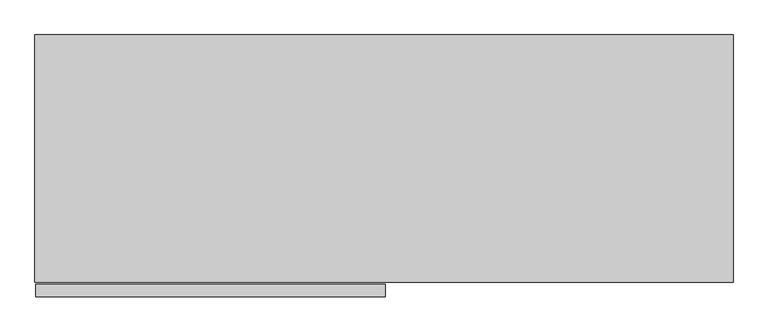
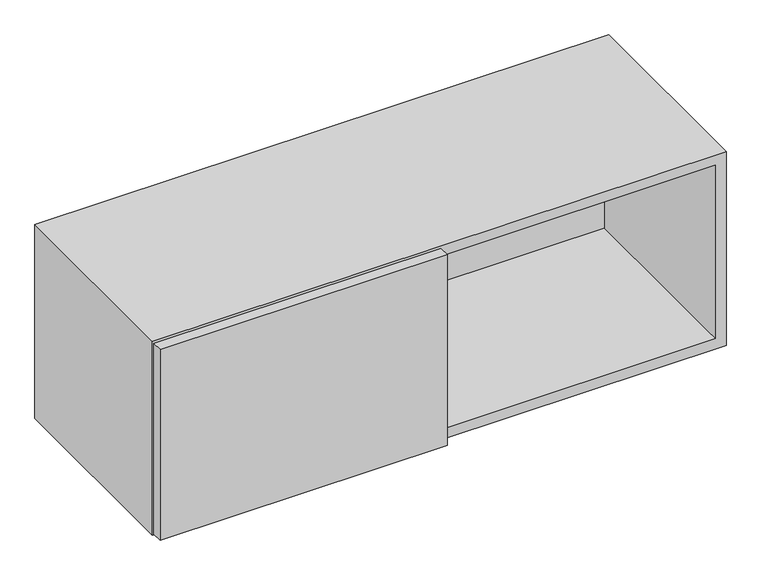
"""IFC4 building model written with IfcOpenShell, lengths in millimetres: furniture geometry."""

from ifc_helpers import new_model, si_unit, frame, origin, place, context, project, spatial, polyline, outline, extrude, faceted_brep, source, transform, mapped, element, save


def furniture_3b6ed978(model_context):
    return source(origin(), model_context, "Body", "SolidModel", [
        extrude(outline(polyline([(534.4792365, -380.3650097), (534.4792365, -400.05), (1.5010712, -400.05), (1.5010712, -380.3650097), (534.4792365, -380.3650097)])), frame((0.0, 0.0, 1288.9992008), z_axis=(0.0, 0.0, 1.0), x_axis=(1.0, 0.0, 0.0)), (0.0, 0.0, 1.0), 375.0055984),
        faceted_brep([(522.8084682, -377.8757721, 1306.1696643), (522.8084682, -377.8757721, 1646.8343357), (522.8084682, -20.1675917, 1646.8343357), (522.8084682, -20.1675917, 1306.1696643), (0.0, -377.8757721, 1667.002), (0.0, -377.8757721, 1286.002), (1065.784, -377.8757721, 1286.002), (1065.784, -377.8757721, 1667.002), (20.1673737, -377.8757721, 1306.1696643), (20.1673737, -377.8757721, 1646.8343357), (542.9755318, -377.8757721, 1306.1696643), (542.9755318, -377.8757721, 1646.8343357), (1045.6166263, -377.8757721, 1646.8343357), (1045.6166263, -377.8757721, 1306.1696643), (542.9755318, -20.1675917, 1306.1696643), (542.9755318, -20.1675917, 1646.8343357), (20.1673737, -20.1675917, 1306.1696643), (1045.6166263, -20.1675917, 1306.1696643), (0.0, 0.0, 1286.002), (1065.784, 0.0, 1286.002), (0.0, 0.0, 1667.002), (1065.784, 0.0, 1667.002), (20.1673737, -20.1675917, 1646.8343357), (1045.6166263, -20.1675917, 1646.8343357)], [[[0, 1, 2, 3]], [[4, 5, 6, 7], [1, 0, 8, 9], [10, 11, 12, 13]], [[11, 10, 14, 15]], [[8, 0, 3, 16]], [[10, 13, 17, 14]], [[18, 19, 6, 5]], [[20, 4, 7, 21]], [[4, 20, 18, 5]], [[8, 16, 22, 9]], [[3, 2, 22, 16]], [[15, 14, 17, 23]], [[17, 13, 12, 23]], [[21, 7, 6, 19]], [[20, 21, 19, 18]], [[1, 9, 22, 2]], [[12, 11, 15, 23]]]),
    ])


if __name__ == "__main__":
    model = new_model("IFC4")
    model_context = context("Model", 3, world=origin())
    ifc_project = project(units=[si_unit("LENGTHUNIT", "METRE", prefix="MILLI")], contexts=[model_context])
    site = spatial("IfcSite", under=ifc_project)
    building = spatial("IfcBuilding", under=site)
    placement = place(None, origin())
    furniture_shape = furniture_3b6ed978(model_context)
    element("IfcFurniture", 1, at=placement, inside=building, context=model_context, shape_type="MappedRepresentation", body=[
        mapped(furniture_shape, transform((0.0, 0.0, 0.0), x_axis=(1.0, 0.0, 0.0), y_axis=(0.0, 1.0, 0.0), z_axis=(0.0, 0.0, 1.0))),
    ])
    save(model, "model.ifc")
